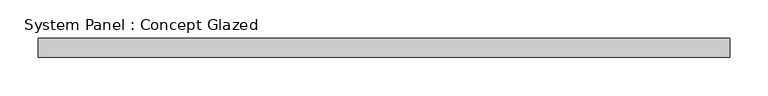
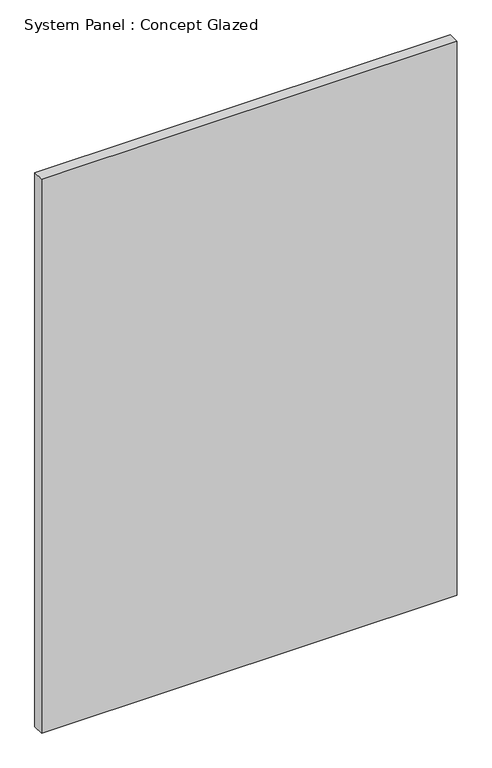
"""IFC4 building model written with IfcOpenShell, lengths in millimetres: plate geometry, System Panel : Concept Glazed."""

import ifcopenshell
import ifcopenshell.guid

model = None  # the IFC model being written
_history = None  # IfcOwnerHistory: only IFC2X3 demands one
_inside = {}  # id of a spatial element -> (the spatial element, [elements in it])
_under = {}  # id of a project, library or spatial element -> (it, [spatial elements below it])
_declared = {}  # id of a project -> (the project, [libraries it declares])
_typed = {}  # id of a type object -> (the type object, [elements of that type])
_made_of = {}  # id of a material, layer set ... -> (it, [elements and type objects made of it])


def new_model(schema):
    """Start an empty IFC model of exactly this schema.

    Asked for "IFC4X3", IfcOpenShell would pick the latest addendum, in which some entities
    have other attributes; the version numbers below select the first issue.
    IFC2X3 requires an IfcOwnerHistory on every rooted entity: one is made here for all.
    """
    global model, _history
    if schema == "IFC4X3":
        model = ifcopenshell.file(schema_version=(4, 3, 0, 0))
    else:
        model = ifcopenshell.file(schema=schema)
    _inside.clear()
    _under.clear()
    _declared.clear()
    _typed.clear()
    _made_of.clear()
    _history = None
    if model.schema == "IFC2X3":
        org = make("IfcOrganization", Name="unknown")
        user = make(
            "IfcPersonAndOrganization",
            ThePerson=make("IfcPerson", FamilyName="unknown"),
            TheOrganization=org,
        )
        app = make(
            "IfcApplication",
            ApplicationDeveloper=org,
            Version="unknown",
            ApplicationFullName="unknown",
            ApplicationIdentifier="unknown",
        )
        _history = make(
            "IfcOwnerHistory",
            OwningUser=user,
            OwningApplication=app,
            ChangeAction="ADDED",
            CreationDate=0,
        )
    return model


def make(cls, **values):
    """One entity of the class cls with the attributes given. An attribute that is None is left unset."""
    return model.create_entity(
        cls, **{name: value for name, value in values.items() if value is not None}
    )


def rooted(cls, **values):
    """An entity with a GlobalId (a new one), such as an element, a storey or a relation."""
    return make(cls, GlobalId=ifcopenshell.guid.new(), OwnerHistory=_history, **values)


def si_unit(unit_type, name, prefix=None):
    """IfcSIUnit, for example si_unit("LENGTHUNIT", "METRE", prefix="MILLI")."""
    return make("IfcSIUnit", UnitType=unit_type, Prefix=prefix, Name=name)


def assignment(units):
    """IfcUnitAssignment: the units of a project."""
    return None if units is None else make("IfcUnitAssignment", Units=units)


def point(xyz):
    """IfcCartesianPoint."""
    return None if xyz is None else make("IfcCartesianPoint", Coordinates=xyz)


def direction(xyz):
    """IfcDirection."""
    return None if xyz is None else make("IfcDirection", DirectionRatios=xyz)


def frame(location, z_axis=None, x_axis=None):
    """IfcAxis2Placement3D, a coordinate frame: its origin and axes. An axis left out is left unset."""
    return make(
        "IfcAxis2Placement3D",
        Location=point(location),
        Axis=direction(z_axis),
        RefDirection=direction(x_axis),
    )


def origin():
    """The frame at (0, 0, 0) with its axes left unset."""
    return frame((0.0, 0.0, 0.0))


def origin_with_axes():
    """The frame at (0, 0, 0) with the z axis (0, 0, 1) and the x axis (1, 0, 0) written out."""
    return frame((0.0, 0.0, 0.0), z_axis=(0.0, 0.0, 1.0), x_axis=(1.0, 0.0, 0.0))


def place(relative_to, where):
    """IfcLocalPlacement: puts the frame where relative to a parent placement (None: the world)."""
    return make(
        "IfcLocalPlacement", PlacementRelTo=relative_to, RelativePlacement=where
    )


def context(
    kind, dimensions, precision=None, world=None, true_north=None, identifier=None
):
    """IfcGeometricRepresentationContext, for example the 3D "Model" context."""
    return make(
        "IfcGeometricRepresentationContext",
        ContextIdentifier=identifier,
        ContextType=kind,
        CoordinateSpaceDimension=dimensions,
        Precision=precision,
        WorldCoordinateSystem=world,
        TrueNorth=true_north,
    )


def project(units=None, contexts=None):
    """IfcProject with its units and contexts."""
    return rooted(
        "IfcProject",
        Name="project",
        RepresentationContexts=contexts,
        UnitsInContext=assignment(units),
    )


def spatial(cls, under=None, at=None, **own):
    """A site, building, storey or space (cls), placed at a placement, below another one or the project."""
    s = rooted(cls, ObjectPlacement=at, **own)
    if under is not None:
        _under.setdefault(under.id(), (under, []))[1].append(s)
    return s


def polyline(points):
    """IfcPolyline through the points."""
    return make("IfcPolyline", Points=[point(p) for p in points])


def outline(outer, holes=None, kind="AREA"):
    """IfcArbitraryClosedProfileDef: a profile drawn as a closed curve; with holes, ...WithVoids."""
    if holes is None:
        return make("IfcArbitraryClosedProfileDef", ProfileType=kind, OuterCurve=outer)
    return make(
        "IfcArbitraryProfileDefWithVoids",
        ProfileType=kind,
        OuterCurve=outer,
        InnerCurves=holes,
    )


def extrude(swept, where, along, depth):
    """IfcExtrudedAreaSolid: the profile swept, set in the frame where, extruded along a direction by depth."""
    return make(
        "IfcExtrudedAreaSolid",
        SweptArea=swept,
        Position=where,
        ExtrudedDirection=direction(along),
        Depth=depth,
    )


def shape(context_of_items, identifier, shape_type, items):
    """IfcShapeRepresentation: the items that make up one representation, for example the "Body"."""
    return make(
        "IfcShapeRepresentation",
        ContextOfItems=context_of_items,
        RepresentationIdentifier=identifier,
        RepresentationType=shape_type,
        Items=items,
    )


def source(mapping_origin, context_of_items, identifier, shape_type, items):
    """IfcRepresentationMap: a shape defined once, which mapped items show again and again."""
    return make(
        "IfcRepresentationMap",
        MappingOrigin=mapping_origin,
        MappedRepresentation=shape(context_of_items, identifier, shape_type, items),
    )


def transform(
    local_origin,
    x_axis=None,
    y_axis=None,
    z_axis=None,
    scale=None,
    scale2=None,
    scale3=None,
    uniform=True,
):
    """IfcCartesianTransformationOperator3D, or its non-uniform kind. x_axis, y_axis, z_axis: its Axis1, 2, 3."""
    if uniform:
        return make(
            "IfcCartesianTransformationOperator3D",
            Axis1=direction(x_axis),
            Axis2=direction(y_axis),
            LocalOrigin=point(local_origin),
            Scale=scale,
            Axis3=direction(z_axis),
        )
    return make(
        "IfcCartesianTransformationOperator3DnonUniform",
        Axis1=direction(x_axis),
        Axis2=direction(y_axis),
        LocalOrigin=point(local_origin),
        Scale=scale,
        Axis3=direction(z_axis),
        Scale2=scale2,
        Scale3=scale3,
    )


def mapped(mapping_source, mapping_target):
    """IfcMappedItem: shows the shape of a source again, moved by a transform."""
    return make(
        "IfcMappedItem", MappingSource=mapping_source, MappingTarget=mapping_target
    )


def made_of(thing, what):
    """Note that an element or type object is made of a material, layer set ...; save() writes the relation."""
    if what is not None:
        _made_of.setdefault(what.id(), (what, []))[1].append(thing)
    return thing


def element(
    cls,
    number,
    at=None,
    inside=None,
    cuts=None,
    type_object=None,
    material=None,
    context=None,
    identifier="Body",
    shape_type=None,
    held_by="IfcProductDefinitionShape",
    body=None,
    shapes=None,
    **own,
):
    """One element of the class cls, such as IfcWall. Its Tag is "e" and its number.

    at: its placement. inside: the storey or other place that contains it. cuts: it is an
    opening in that element (IfcRelVoidsElement). A single representation is given by context,
    identifier, shape_type and body (its items); several are given by shapes. held_by: the class
    of the entity that holds the representations. save() writes the other relations.
    """
    e = rooted(cls, Tag="e%d" % number, ObjectPlacement=at, **own)
    if body is not None:
        shapes = [shape(context, identifier, shape_type, body)]
    if shapes is not None:
        e.Representation = make(held_by, Representations=shapes)
    if inside is not None:
        _inside.setdefault(inside.id(), (inside, []))[1].append(e)
    if cuts is not None:
        rooted(
            "IfcRelVoidsElement", RelatingBuildingElement=cuts, RelatedOpeningElement=e
        )
    if type_object is not None:
        _typed.setdefault(type_object.id(), (type_object, []))[1].append(e)
    return made_of(e, material)


def aggregate(whole, parts):
    """IfcRelAggregates: a whole, such as a stair, and the parts it consists of."""
    return rooted("IfcRelAggregates", RelatingObject=whole, RelatedObjects=parts)


def save(model, path):
    """Write the relations noted so far, then the file.

    IfcRelAggregates (storeys below a building ...), IfcRelContainedInSpatialStructure (elements
    in a storey), IfcRelDefinesByType, IfcRelAssociatesMaterial and IfcRelDeclares: one each for
    every whole, place, type object, material and project.
    """
    for whole, parts in _under.values():
        aggregate(whole, parts)
    for where, things in _inside.values():
        rooted(
            "IfcRelContainedInSpatialStructure",
            RelatedElements=things,
            RelatingStructure=where,
        )
    for kind, things in _typed.values():
        rooted("IfcRelDefinesByType", RelatedObjects=things, RelatingType=kind)
    for what, things in _made_of.values():
        rooted("IfcRelAssociatesMaterial", RelatedObjects=things, RelatingMaterial=what)
    for by, libraries in _declared.values():
        rooted("IfcRelDeclares", RelatingContext=by, RelatedDefinitions=libraries)
    model.write(path)


def system_panel_concept_glazed_e82bbd67(model_context):
    return source(origin(), model_context, "Body", "SweptSolid", [
        extrude(outline(polyline([(452.5, 0.0), (-452.5, 0.0), (-452.5, 25.0), (452.5, 25.0), (452.5, 0.0)])), origin_with_axes(), (0.0, 0.0, 1.0), 1275.0),
    ])


if __name__ == "__main__":
    model = new_model("IFC4")
    model_context = context("Model", 3, world=origin())
    ifc_project = project(units=[si_unit("LENGTHUNIT", "METRE", prefix="MILLI")], contexts=[model_context])
    site = spatial("IfcSite", under=ifc_project)
    building = spatial("IfcBuilding", under=site)
    placement = place(None, origin())
    system_panel_concept_glazed_shape = system_panel_concept_glazed_e82bbd67(model_context)
    element("IfcPlate", 1, ObjectType="System Panel : Concept Glazed", at=placement, inside=building, context=model_context, shape_type="MappedRepresentation", body=[
        mapped(system_panel_concept_glazed_shape, transform((0.0, 0.0, 0.0), x_axis=(1.0, 0.0, 0.0), y_axis=(0.0, 1.0, 0.0), z_axis=(0.0, 0.0, 1.0))),
    ])
    save(model, "model.ifc")
